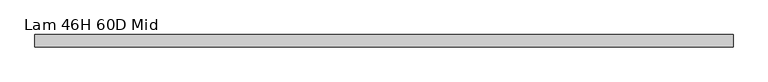
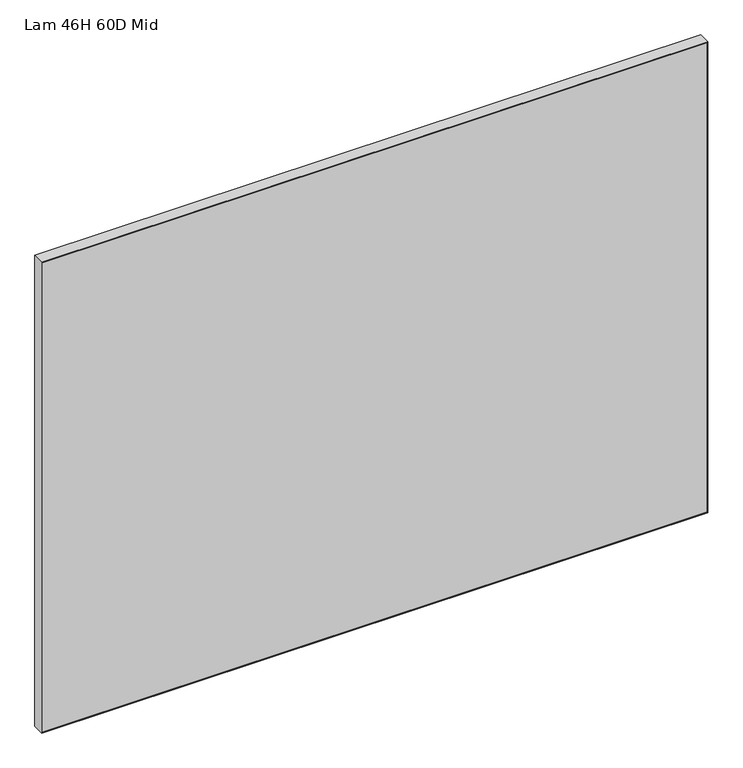
"""IFC4 building model written with IfcOpenShell, lengths in millimetres: furniture geometry, Lam 46H 60D Mid."""

from ifc_helpers import new_model, si_unit, frame, origin, place, context, project, spatial, polyline, outline, extrude, source, transform, mapped, element, save


def lam_46h_60d_mid_8db5e000(model_context):
    return source(origin(), model_context, "Body", "SweptSolid", [
        extrude(outline(polyline([(13.9700003, -758.825), (13.9700003, 758.825), (1148.5626003, 758.825), (1148.5626003, -758.825), (13.9700003, -758.825)]), holes=[polyline([(1146.9624003, -757.2248), (1146.9624003, 757.2248), (15.5702003, 757.2248), (15.5702003, -757.2248), (1146.9624003, -757.2248)])]), frame((0.0, -26.670001, 0.0), z_axis=(0.0, 1.0, 0.0), x_axis=(0.0, 0.0, 1.0)), (0.0, 0.0, 1.0), 26.670001),
        extrude(outline(polyline([(757.2248, 0.0), (757.2248, -26.670001), (-757.2248, -26.670001), (-757.2248, 0.0), (757.2248, 0.0)])), frame((0.0, 0.0, 15.5702003), z_axis=(0.0, 0.0, 1.0), x_axis=(1.0, 0.0, 0.0)), (0.0, 0.0, 1.0), 1131.3922),
    ])


if __name__ == "__main__":
    model = new_model("IFC4")
    model_context = context("Model", 3, world=origin())
    ifc_project = project(units=[si_unit("LENGTHUNIT", "METRE", prefix="MILLI")], contexts=[model_context])
    site = spatial("IfcSite", under=ifc_project)
    building = spatial("IfcBuilding", under=site)
    placement = place(None, origin())
    lam_46h_60d_mid_shape = lam_46h_60d_mid_8db5e000(model_context)
    element("IfcFurniture", 1, ObjectType="Lam 46H 60D Mid", at=placement, inside=building, context=model_context, shape_type="MappedRepresentation", body=[
        mapped(lam_46h_60d_mid_shape, transform((0.0, 0.0, 0.0), x_axis=(1.0, 0.0, 0.0), y_axis=(0.0, 1.0, 0.0), z_axis=(0.0, 0.0, 1.0))),
    ])
    save(model, "model.ifc")
